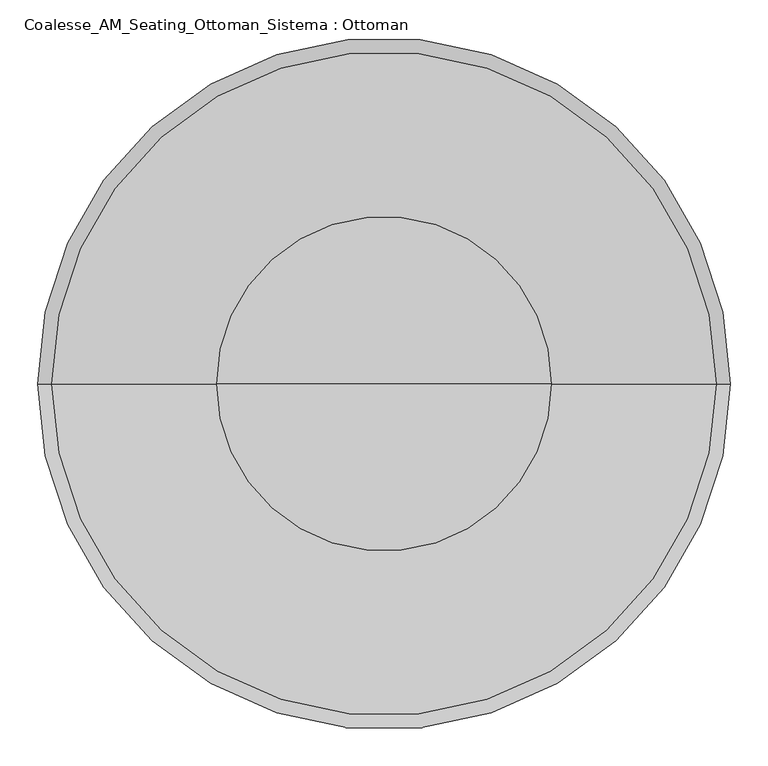
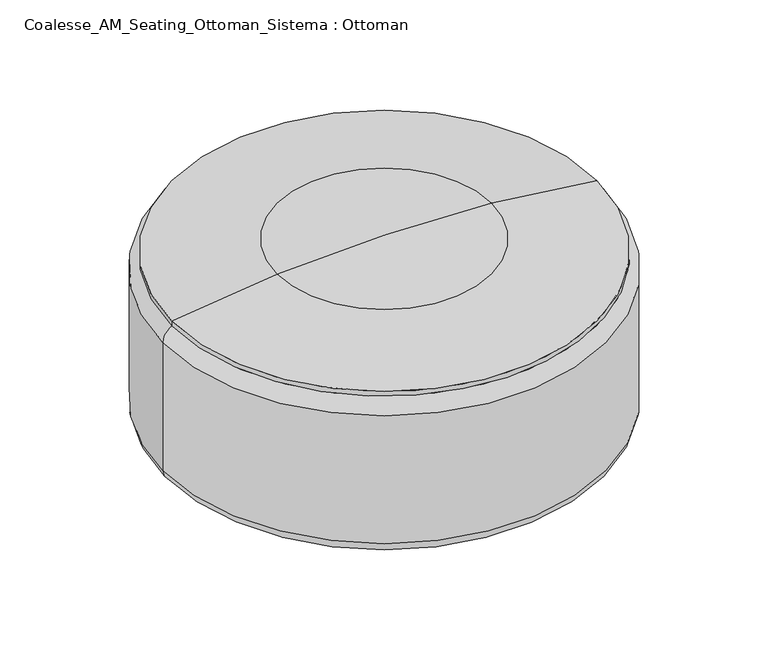
"""IFC4 building model written with IfcOpenShell, lengths in millimetres: furniture geometry, Coalesse_AM_Seating_Ottoman_Sistema : Ottoman."""

from ifc_helpers import new_model, si_unit, point, frame, origin, place, context, project, spatial, polyline, circle_curve, ellipse_curve, trimmed, source, transform, mapped, element, save
from ifc_brep_helpers import plane_surface, cylinder_surface, revolved_surface, advanced_brep


def coalesse_am_seating_ottoman_sistema_ottoman_4f4713fd(model_context):
    return source(origin(), model_context, "Body", "AdvancedBrep", [
        advanced_brep(
        [(176.9618477, -99.7441431, 32.0111214), (213.2354573, -99.7441431, 32.0111214), (213.2354573, -99.7441431, 16.5557542), (176.9618477, -99.7441431, 16.5557542), (214.5291378, -99.7441431, 14.0167632), (175.6681672, -99.7441431, 14.0167632), (218.901124, -99.7441431, 10.8824382), (171.296181, -99.7441431, 10.8824382), (220.0873404, -99.7441431, 8.4680454), (170.1099646, -99.7441431, 8.4680454), (220.0873404, -99.7441431, 3.1081764), (170.1099646, -99.7441431, 3.1081764), (216.4909658, -99.7441431, 0.0), (173.7063392, -99.7441431, 0.0), (195.0986525, -99.7441431, 0.0), (195.0986525, -99.7441431, 34.4679682), (202.2134315, -99.7441431, 34.4679682), (187.9838735, -99.7441431, 34.4679682), (202.2134315, -99.7441431, 32.0111214), (187.9838735, -99.7441431, 32.0111214)],
        [
            (0, 1, circle_curve(frame((195.0986525, -99.7441431, 32.0111214), z_axis=(0.0, 0.0, -1.0), x_axis=(1.0, 0.0, 0.0)), 18.1368048)),
            (1, 2),
            (2, 3, circle_curve(frame((195.0986525, -99.7441431, 16.5557542), z_axis=(0.0, 0.0, 1.0), x_axis=(1.0, 0.0, 0.0)), 18.1368048)),
            (3, 0),
            (1, 0, circle_curve(frame((195.0986525, -99.7441431, 32.0111214), z_axis=(0.0, 0.0, -1.0), x_axis=(1.0, 0.0, 0.0)), 18.1368048)),
            (3, 2, circle_curve(frame((195.0986525, -99.7441431, 16.5557542), z_axis=(0.0, 0.0, 1.0), x_axis=(1.0, 0.0, 0.0)), 18.1368048)),
            (2, 4),
            (4, 5, circle_curve(frame((195.0986525, -99.7441431, 14.0167632), z_axis=(0.0, 0.0, 1.0), x_axis=(1.0, 0.0, 0.0)), 19.4304853)),
            (5, 3),
            (5, 4, circle_curve(frame((195.0986525, -99.7441431, 14.0167632), z_axis=(0.0, 0.0, 1.0), x_axis=(1.0, 0.0, 0.0)), 19.4304853)),
            (4, 6, circle_curve(frame((172.5471675, -99.7441431, -49.1591113), z_axis=(0.0, 1.0, 0.0), x_axis=(-1.0, 0.0, 0.0)), 75.8529957)),
            (6, 7, circle_curve(frame((195.0986525, -99.7441431, 10.8824382), z_axis=(0.0, 0.0, 1.0), x_axis=(1.0, 0.0, 0.0)), 23.8024715)),
            (7, 5, circle_curve(frame((217.6501375, -99.7441431, -49.1591113), z_axis=(0.0, 1.0, 0.0), x_axis=(1.0, 0.0, 0.0)), 75.8529957)),
            (7, 6, circle_curve(frame((195.0986525, -99.7441431, 10.8824382), z_axis=(0.0, 0.0, 1.0), x_axis=(1.0, 0.0, 0.0)), 23.8024715)),
            (6, 8, circle_curve(frame((217.0371372, -99.7441431, 8.4680454), z_axis=(0.0, 1.0, 0.0), x_axis=(-1.0, 0.0, 0.0)), 3.0502032)),
            (8, 9, circle_curve(frame((195.0986525, -99.7441431, 8.4680454), z_axis=(0.0, 0.0, 1.0), x_axis=(1.0, 0.0, 0.0)), 24.9886879)),
            (9, 7, circle_curve(frame((173.1601678, -99.7441431, 8.4680454), z_axis=(0.0, 1.0, 0.0), x_axis=(1.0, 0.0, 0.0)), 3.0502032)),
            (9, 8, circle_curve(frame((195.0986525, -99.7441431, 8.4680454), z_axis=(0.0, 0.0, 1.0), x_axis=(1.0, 0.0, 0.0)), 24.9886879)),
            (8, 10),
            (10, 11, circle_curve(frame((195.0986525, -99.7441431, 3.1081764), z_axis=(0.0, 0.0, 1.0), x_axis=(1.0, 0.0, 0.0)), 24.9886879)),
            (11, 9),
            (11, 10, circle_curve(frame((195.0986525, -99.7441431, 3.1081764), z_axis=(0.0, 0.0, 1.0), x_axis=(1.0, 0.0, 0.0)), 24.9886879)),
            (10, 12, circle_curve(frame((216.4909658, -99.7441431, 3.634715), z_axis=(0.0, 1.0, 0.0), x_axis=(-1.0, 0.0, 0.0)), 3.634715)),
            (12, 13, circle_curve(frame((195.0986525, -99.7441431, 0.0), z_axis=(0.0, 0.0, 1.0), x_axis=(1.0, 0.0, 0.0)), 21.3923133)),
            (13, 11, circle_curve(frame((173.7063392, -99.7441431, 3.634715), z_axis=(0.0, 1.0, 0.0), x_axis=(1.0, 0.0, 0.0)), 3.634715)),
            (13, 12, circle_curve(frame((195.0986525, -99.7441431, 0.0), z_axis=(0.0, 0.0, 1.0), x_axis=(1.0, 0.0, 0.0)), 21.3923133)),
            (12, 14),
            (14, 13),
            (15, 16),
            (16, 17, circle_curve(frame((195.0986525, -99.7441431, 34.4679682), z_axis=(0.0, 0.0, 1.0), x_axis=(1.0, 0.0, 0.0)), 7.114779)),
            (17, 15),
            (17, 16, circle_curve(frame((195.0986525, -99.7441431, 34.4679682), z_axis=(0.0, 0.0, 1.0), x_axis=(1.0, 0.0, 0.0)), 7.114779)),
            (16, 18),
            (18, 19, circle_curve(frame((195.0986525, -99.7441431, 32.0111214), z_axis=(0.0, 0.0, 1.0), x_axis=(1.0, 0.0, 0.0)), 7.114779)),
            (19, 17),
            (19, 18, circle_curve(frame((195.0986525, -99.7441431, 32.0111214), z_axis=(0.0, 0.0, 1.0), x_axis=(1.0, 0.0, 0.0)), 7.114779)),
            (18, 1),
            (0, 19),
        ],
        [
            cylinder_surface(frame((195.0986525, -99.7441431, 22.0491407), z_axis=(0.0, 0.0, 1.0), x_axis=(1.0, 0.0, 0.0)), 18.1368048),
            revolved_surface(polyline([(214.5291378, -99.7441431, 14.0167632), (213.2354573, -99.7441431, 16.5557542)]), (195.0986525, -99.7441431, 22.0491407), (0.0, 0.0, 1.0)),
            revolved_surface(trimmed(ellipse_curve(frame((172.5471675, -99.7441431, -49.1591113), z_axis=(0.0, -1.0, 0.0), x_axis=(-1.0, 0.0, 0.0)), 75.8529957, 75.8529957), [point((218.901124, -99.7441431, 10.8824382))], [point((214.5291378, -99.7441431, 14.0167632))], True, "CARTESIAN"), (195.0986525, -99.7441431, 22.0491407), (0.0, 0.0, 1.0)),
            revolved_surface(trimmed(ellipse_curve(frame((217.0371372, -99.7441431, 8.4680454), z_axis=(0.0, -1.0, 0.0), x_axis=(-1.0, 0.0, 0.0)), 3.0502032, 3.0502032), [point((220.0873404, -99.7441431, 8.4680454))], [point((218.901124, -99.7441431, 10.8824382))], True, "CARTESIAN"), (195.0986525, -99.7441431, 22.0491407), (0.0, 0.0, 1.0)),
            cylinder_surface(frame((195.0986525, -99.7441431, 22.0491407), z_axis=(0.0, 0.0, 1.0), x_axis=(1.0, 0.0, 0.0)), 24.9886879),
            revolved_surface(trimmed(ellipse_curve(frame((216.4909658, -99.7441431, 3.634715), z_axis=(0.0, -1.0, 0.0), x_axis=(-1.0, 0.0, 0.0)), 3.634715, 3.634715), [point((216.4909658, -99.7441431, 0.0))], [point((220.0873404, -99.7441431, 3.1081764))], True, "CARTESIAN"), (195.0986525, -99.7441431, 22.0491407), (0.0, 0.0, 1.0)),
            plane_surface(frame((195.0986525, -99.7441431, 0.0), z_axis=(0.0, 0.0, -1.0), x_axis=(1.0, 0.0, 0.0))),
            plane_surface(frame((195.0986525, -99.7441431, 34.4679682), z_axis=(0.0, 0.0, 1.0), x_axis=(1.0, 0.0, 0.0))),
            cylinder_surface(frame((195.0986525, -99.7441431, 22.0491407), z_axis=(0.0, 0.0, 1.0), x_axis=(1.0, 0.0, 0.0)), 7.114779),
            plane_surface(frame((195.0986525, -99.7441431, 32.0111214), z_axis=(0.0, 0.0, 1.0), x_axis=(1.0, 0.0, 0.0))),
        ],
        [
            (0, [[1, 2, 3, 4]]),
            (0, [[5, -4, 6, -2]]),
            (1, [[-3, 7, 8, 9]]),
            (1, [[-6, -9, 10, -7]]),
            (2, [[-8, 11, 12, 13]]),
            (2, [[-10, -13, 14, -11]]),
            (3, [[-12, 15, 16, 17]]),
            (3, [[-14, -17, 18, -15]]),
            (4, [[-16, 19, 20, 21]]),
            (4, [[-18, -21, 22, -19]]),
            (5, [[-20, 23, 24, 25]]),
            (5, [[-22, -25, 26, -23]]),
            (6, [[-24, 27, 28]]),
            (6, [[-26, -28, -27]]),
            (7, [[29, 30, 31]]),
            (7, [[-31, 32, -29]]),
            (8, [[-30, 33, 34, 35]]),
            (8, [[-32, -35, 36, -33]]),
            (9, [[-34, 37, -1, 38]]),
            (9, [[-36, -38, -5, -37]]),
        ],
    ),
        advanced_brep(
        [(-182.6853932, -105.0098049, 16.5557542), (-218.9590027, -105.0098049, 16.5557542), (-218.9590027, -105.0098049, 32.0111214), (-182.6853932, -105.0098049, 32.0111214), (-181.3917126, -105.0098049, 14.0167632), (-220.2526833, -105.0098049, 14.0167632), (-177.0197264, -105.0098049, 10.8824382), (-224.6246695, -105.0098049, 10.8824382), (-175.8335101, -105.0098049, 8.4680454), (-225.8108859, -105.0098049, 8.4680454), (-175.8335101, -105.0098049, 3.1081764), (-225.8108859, -105.0098049, 3.1081764), (-179.4298846, -105.0098049, 0.0), (-222.2145113, -105.0098049, 0.0), (-200.822198, -105.0098049, 0.0), (-193.7074189, -105.0098049, 34.4679682), (-207.936977, -105.0098049, 34.4679682), (-200.822198, -105.0098049, 34.4679682), (-193.7074189, -105.0098049, 32.0111214), (-207.936977, -105.0098049, 32.0111214)],
        [
            (0, 1, circle_curve(frame((-200.822198, -105.0098049, 16.5557542), z_axis=(0.0, 0.0, 1.0), x_axis=(-1.0, 0.0, 0.0)), 18.1368048)),
            (1, 2),
            (2, 3, circle_curve(frame((-200.822198, -105.0098049, 32.0111214), z_axis=(0.0, 0.0, -1.0), x_axis=(-1.0, 0.0, 0.0)), 18.1368048)),
            (3, 0),
            (1, 0, circle_curve(frame((-200.822198, -105.0098049, 16.5557542), z_axis=(0.0, 0.0, 1.0), x_axis=(-1.0, 0.0, 0.0)), 18.1368048)),
            (3, 2, circle_curve(frame((-200.822198, -105.0098049, 32.0111214), z_axis=(0.0, 0.0, -1.0), x_axis=(-1.0, 0.0, 0.0)), 18.1368048)),
            (4, 5, circle_curve(frame((-200.822198, -105.0098049, 14.0167632), z_axis=(0.0, 0.0, 1.0), x_axis=(-1.0, 0.0, 0.0)), 19.4304853)),
            (5, 1),
            (0, 4),
            (5, 4, circle_curve(frame((-200.822198, -105.0098049, 14.0167632), z_axis=(0.0, 0.0, 1.0), x_axis=(-1.0, 0.0, 0.0)), 19.4304853)),
            (6, 7, circle_curve(frame((-200.822198, -105.0098049, 10.8824382), z_axis=(0.0, 0.0, 1.0), x_axis=(-1.0, 0.0, 0.0)), 23.8024715)),
            (7, 5, circle_curve(frame((-178.2707129, -105.0098049, -49.1591113), z_axis=(0.0, 1.0, 0.0), x_axis=(1.0, 0.0, 0.0)), 75.8529957)),
            (4, 6, circle_curve(frame((-223.373683, -105.0098049, -49.1591113), z_axis=(0.0, 1.0, 0.0), x_axis=(-1.0, 0.0, 0.0)), 75.8529957)),
            (7, 6, circle_curve(frame((-200.822198, -105.0098049, 10.8824382), z_axis=(0.0, 0.0, 1.0), x_axis=(-1.0, 0.0, 0.0)), 23.8024715)),
            (8, 9, circle_curve(frame((-200.822198, -105.0098049, 8.4680454), z_axis=(0.0, 0.0, 1.0), x_axis=(-1.0, 0.0, 0.0)), 24.9886879)),
            (9, 7, circle_curve(frame((-222.7606826, -105.0098049, 8.4680454), z_axis=(0.0, 1.0, 0.0), x_axis=(1.0, 0.0, 0.0)), 3.0502032)),
            (6, 8, circle_curve(frame((-178.8837133, -105.0098049, 8.4680454), z_axis=(0.0, 1.0, 0.0), x_axis=(-1.0, 0.0, 0.0)), 3.0502032)),
            (9, 8, circle_curve(frame((-200.822198, -105.0098049, 8.4680454), z_axis=(0.0, 0.0, 1.0), x_axis=(-1.0, 0.0, 0.0)), 24.9886879)),
            (10, 11, circle_curve(frame((-200.822198, -105.0098049, 3.1081764), z_axis=(0.0, 0.0, 1.0), x_axis=(-1.0, 0.0, 0.0)), 24.9886879)),
            (11, 9),
            (8, 10),
            (11, 10, circle_curve(frame((-200.822198, -105.0098049, 3.1081764), z_axis=(0.0, 0.0, 1.0), x_axis=(-1.0, 0.0, 0.0)), 24.9886879)),
            (12, 13, circle_curve(frame((-200.822198, -105.0098049, 0.0), z_axis=(0.0, 0.0, 1.0), x_axis=(-1.0, 0.0, 0.0)), 21.3923133)),
            (13, 11, circle_curve(frame((-222.2145113, -105.0098049, 3.634715), z_axis=(0.0, 1.0, 0.0), x_axis=(1.0, 0.0, 0.0)), 3.634715)),
            (10, 12, circle_curve(frame((-179.4298846, -105.0098049, 3.634715), z_axis=(0.0, 1.0, 0.0), x_axis=(-1.0, 0.0, 0.0)), 3.634715)),
            (13, 12, circle_curve(frame((-200.822198, -105.0098049, 0.0), z_axis=(0.0, 0.0, 1.0), x_axis=(-1.0, 0.0, 0.0)), 21.3923133)),
            (14, 13),
            (12, 14),
            (15, 16, circle_curve(frame((-200.822198, -105.0098049, 34.4679682), z_axis=(0.0, 0.0, 1.0), x_axis=(-1.0, 0.0, 0.0)), 7.114779)),
            (16, 17),
            (17, 15),
            (16, 15, circle_curve(frame((-200.822198, -105.0098049, 34.4679682), z_axis=(0.0, 0.0, 1.0), x_axis=(-1.0, 0.0, 0.0)), 7.114779)),
            (18, 19, circle_curve(frame((-200.822198, -105.0098049, 32.0111214), z_axis=(0.0, 0.0, 1.0), x_axis=(-1.0, 0.0, 0.0)), 7.114779)),
            (19, 16),
            (15, 18),
            (19, 18, circle_curve(frame((-200.822198, -105.0098049, 32.0111214), z_axis=(0.0, 0.0, 1.0), x_axis=(-1.0, 0.0, 0.0)), 7.114779)),
            (2, 19),
            (18, 3),
        ],
        [
            cylinder_surface(frame((-200.822198, -105.0098049, 22.0491407), z_axis=(0.0, 0.0, -1.0), x_axis=(-1.0, 0.0, 0.0)), 18.1368048),
            revolved_surface(polyline([(-218.9590027, -105.0098049, 16.5557542), (-220.2526833, -105.0098049, 14.0167632)]), (-200.822198, -105.0098049, 22.0491407), (0.0, 0.0, -1.0)),
            revolved_surface(trimmed(ellipse_curve(frame((-178.2707129, -105.0098049, -49.1591113), z_axis=(0.0, -1.0, 0.0), x_axis=(1.0, 0.0, 0.0)), 75.8529957, 75.8529957), [point((-220.2526833, -105.0098049, 14.0167632))], [point((-224.6246695, -105.0098049, 10.8824382))], True, "CARTESIAN"), (-200.822198, -105.0098049, 22.0491407), (0.0, 0.0, -1.0)),
            revolved_surface(trimmed(ellipse_curve(frame((-222.7606826, -105.0098049, 8.4680454), z_axis=(0.0, -1.0, 0.0), x_axis=(1.0, 0.0, 0.0)), 3.0502032, 3.0502032), [point((-224.6246695, -105.0098049, 10.8824382))], [point((-225.8108859, -105.0098049, 8.4680454))], True, "CARTESIAN"), (-200.822198, -105.0098049, 22.0491407), (0.0, 0.0, -1.0)),
            cylinder_surface(frame((-200.822198, -105.0098049, 22.0491407), z_axis=(0.0, 0.0, -1.0), x_axis=(-1.0, 0.0, 0.0)), 24.9886879),
            revolved_surface(trimmed(ellipse_curve(frame((-222.2145113, -105.0098049, 3.634715), z_axis=(0.0, -1.0, 0.0), x_axis=(1.0, 0.0, 0.0)), 3.634715, 3.634715), [point((-225.8108859, -105.0098049, 3.1081764))], [point((-222.2145113, -105.0098049, 0.0))], True, "CARTESIAN"), (-200.822198, -105.0098049, 22.0491407), (0.0, 0.0, -1.0)),
            plane_surface(frame((-200.822198, -105.0098049, 0.0), z_axis=(0.0, 0.0, -1.0), x_axis=(-1.0, 0.0, 0.0))),
            plane_surface(frame((-200.822198, -105.0098049, 34.4679682), z_axis=(0.0, 0.0, 1.0), x_axis=(-1.0, 0.0, 0.0))),
            cylinder_surface(frame((-200.822198, -105.0098049, 22.0491407), z_axis=(0.0, 0.0, -1.0), x_axis=(-1.0, 0.0, 0.0)), 7.114779),
            plane_surface(frame((-200.822198, -105.0098049, 32.0111214), z_axis=(0.0, 0.0, 1.0), x_axis=(-1.0, 0.0, 0.0))),
        ],
        [
            (0, [[1, 2, 3, 4]]),
            (0, [[5, -4, 6, -2]]),
            (1, [[7, 8, -1, 9]]),
            (1, [[10, -9, -5, -8]]),
            (2, [[11, 12, -7, 13]]),
            (2, [[14, -13, -10, -12]]),
            (3, [[15, 16, -11, 17]]),
            (3, [[18, -17, -14, -16]]),
            (4, [[19, 20, -15, 21]]),
            (4, [[22, -21, -18, -20]]),
            (5, [[23, 24, -19, 25]]),
            (5, [[26, -25, -22, -24]]),
            (6, [[27, -23, 28]]),
            (6, [[-28, -26, -27]]),
            (7, [[29, 30, 31]]),
            (7, [[32, -31, -30]]),
            (8, [[33, 34, -29, 35]]),
            (8, [[36, -35, -32, -34]]),
            (9, [[-3, 37, -33, 38]]),
            (9, [[-6, -38, -36, -37]]),
        ],
    ),
        advanced_brep(
        [(-14.5737579, -712.3154479, 32.0111214), (21.6998517, -712.3154479, 32.0111214), (21.6998517, -712.3154479, 16.5557542), (-14.5737579, -712.3154479, 16.5557542), (22.9935322, -712.3154479, 14.0167632), (-15.8674384, -712.3154479, 14.0167632), (27.3655184, -712.3154479, 10.8824382), (-20.2394247, -712.3154479, 10.8824382), (28.5517348, -712.3154479, 8.4680454), (-21.425641, -712.3154479, 8.4680454), (28.5517348, -712.3154479, 3.1081764), (-21.425641, -712.3154479, 3.1081764), (24.9553602, -712.3154479, 0.0), (-17.8292664, -712.3154479, 0.0), (3.5630469, -712.3154479, 0.0), (3.5630469, -712.3154479, 34.4679682), (10.6778259, -712.3154479, 34.4679682), (-3.5517321, -712.3154479, 34.4679682), (10.6778259, -712.3154479, 32.0111214), (-3.5517321, -712.3154479, 32.0111214)],
        [
            (0, 1, circle_curve(frame((3.5630469, -712.3154479, 32.0111214), z_axis=(0.0, 0.0, -1.0), x_axis=(1.0, 0.0, 0.0)), 18.1368048)),
            (1, 2),
            (2, 3, circle_curve(frame((3.5630469, -712.3154479, 16.5557542), z_axis=(0.0, 0.0, 1.0), x_axis=(1.0, 0.0, 0.0)), 18.1368048)),
            (3, 0),
            (1, 0, circle_curve(frame((3.5630469, -712.3154479, 32.0111214), z_axis=(0.0, 0.0, -1.0), x_axis=(1.0, 0.0, 0.0)), 18.1368048)),
            (3, 2, circle_curve(frame((3.5630469, -712.3154479, 16.5557542), z_axis=(0.0, 0.0, 1.0), x_axis=(1.0, 0.0, 0.0)), 18.1368048)),
            (2, 4),
            (4, 5, circle_curve(frame((3.5630469, -712.3154479, 14.0167632), z_axis=(0.0, 0.0, 1.0), x_axis=(1.0, 0.0, 0.0)), 19.4304853)),
            (5, 3),
            (5, 4, circle_curve(frame((3.5630469, -712.3154479, 14.0167632), z_axis=(0.0, 0.0, 1.0), x_axis=(1.0, 0.0, 0.0)), 19.4304853)),
            (4, 6, circle_curve(frame((-18.9884381, -712.3154479, -49.1591113), z_axis=(0.0, 1.0, 0.0), x_axis=(-1.0, 0.0, 0.0)), 75.8529957)),
            (6, 7, circle_curve(frame((3.5630469, -712.3154479, 10.8824382), z_axis=(0.0, 0.0, 1.0), x_axis=(1.0, 0.0, 0.0)), 23.8024715)),
            (7, 5, circle_curve(frame((26.1145319, -712.3154479, -49.1591113), z_axis=(0.0, 1.0, 0.0), x_axis=(1.0, 0.0, 0.0)), 75.8529957)),
            (7, 6, circle_curve(frame((3.5630469, -712.3154479, 10.8824382), z_axis=(0.0, 0.0, 1.0), x_axis=(1.0, 0.0, 0.0)), 23.8024715)),
            (6, 8, circle_curve(frame((25.5015316, -712.3154479, 8.4680454), z_axis=(0.0, 1.0, 0.0), x_axis=(-1.0, 0.0, 0.0)), 3.0502032)),
            (8, 9, circle_curve(frame((3.5630469, -712.3154479, 8.4680454), z_axis=(0.0, 0.0, 1.0), x_axis=(1.0, 0.0, 0.0)), 24.9886879)),
            (9, 7, circle_curve(frame((-18.3754378, -712.3154479, 8.4680454), z_axis=(0.0, 1.0, 0.0), x_axis=(1.0, 0.0, 0.0)), 3.0502032)),
            (9, 8, circle_curve(frame((3.5630469, -712.3154479, 8.4680454), z_axis=(0.0, 0.0, 1.0), x_axis=(1.0, 0.0, 0.0)), 24.9886879)),
            (8, 10),
            (10, 11, circle_curve(frame((3.5630469, -712.3154479, 3.1081764), z_axis=(0.0, 0.0, 1.0), x_axis=(1.0, 0.0, 0.0)), 24.9886879)),
            (11, 9),
            (11, 10, circle_curve(frame((3.5630469, -712.3154479, 3.1081764), z_axis=(0.0, 0.0, 1.0), x_axis=(1.0, 0.0, 0.0)), 24.9886879)),
            (10, 12, circle_curve(frame((24.9553602, -712.3154479, 3.634715), z_axis=(0.0, 1.0, 0.0), x_axis=(-1.0, 0.0, 0.0)), 3.634715)),
            (12, 13, circle_curve(frame((3.5630469, -712.3154479, 0.0), z_axis=(0.0, 0.0, 1.0), x_axis=(1.0, 0.0, 0.0)), 21.3923133)),
            (13, 11, circle_curve(frame((-17.8292664, -712.3154479, 3.634715), z_axis=(0.0, 1.0, 0.0), x_axis=(1.0, 0.0, 0.0)), 3.634715)),
            (13, 12, circle_curve(frame((3.5630469, -712.3154479, 0.0), z_axis=(0.0, 0.0, 1.0), x_axis=(1.0, 0.0, 0.0)), 21.3923133)),
            (12, 14),
            (14, 13),
            (15, 16),
            (16, 17, circle_curve(frame((3.5630469, -712.3154479, 34.4679682), z_axis=(0.0, 0.0, 1.0), x_axis=(1.0, 0.0, 0.0)), 7.114779)),
            (17, 15),
            (17, 16, circle_curve(frame((3.5630469, -712.3154479, 34.4679682), z_axis=(0.0, 0.0, 1.0), x_axis=(1.0, 0.0, 0.0)), 7.114779)),
            (16, 18),
            (18, 19, circle_curve(frame((3.5630469, -712.3154479, 32.0111214), z_axis=(0.0, 0.0, 1.0), x_axis=(1.0, 0.0, 0.0)), 7.114779)),
            (19, 17),
            (19, 18, circle_curve(frame((3.5630469, -712.3154479, 32.0111214), z_axis=(0.0, 0.0, 1.0), x_axis=(1.0, 0.0, 0.0)), 7.114779)),
            (18, 1),
            (0, 19),
        ],
        [
            cylinder_surface(frame((3.5630469, -712.3154479, 22.0491407), z_axis=(0.0, 0.0, 1.0), x_axis=(1.0, 0.0, 0.0)), 18.1368048),
            revolved_surface(polyline([(22.9935322, -712.3154479, 14.0167632), (21.6998517, -712.3154479, 16.5557542)]), (3.5630469, -712.3154479, 22.0491407), (0.0, 0.0, 1.0)),
            revolved_surface(trimmed(ellipse_curve(frame((-18.9884381, -712.3154479, -49.1591113), z_axis=(0.0, -1.0, 0.0), x_axis=(-1.0, 0.0, 0.0)), 75.8529957, 75.8529957), [point((27.3655184, -712.3154479, 10.8824382))], [point((22.9935322, -712.3154479, 14.0167632))], True, "CARTESIAN"), (3.5630469, -712.3154479, 22.0491407), (0.0, 0.0, 1.0)),
            revolved_surface(trimmed(ellipse_curve(frame((25.5015316, -712.3154479, 8.4680454), z_axis=(0.0, -1.0, 0.0), x_axis=(-1.0, 0.0, 0.0)), 3.0502032, 3.0502032), [point((28.5517348, -712.3154479, 8.4680454))], [point((27.3655184, -712.3154479, 10.8824382))], True, "CARTESIAN"), (3.5630469, -712.3154479, 22.0491407), (0.0, 0.0, 1.0)),
            cylinder_surface(frame((3.5630469, -712.3154479, 22.0491407), z_axis=(0.0, 0.0, 1.0), x_axis=(1.0, 0.0, 0.0)), 24.9886879),
            revolved_surface(trimmed(ellipse_curve(frame((24.9553602, -712.3154479, 3.634715), z_axis=(0.0, -1.0, 0.0), x_axis=(-1.0, 0.0, 0.0)), 3.634715, 3.634715), [point((24.9553602, -712.3154479, 0.0))], [point((28.5517348, -712.3154479, 3.1081764))], True, "CARTESIAN"), (3.5630469, -712.3154479, 22.0491407), (0.0, 0.0, 1.0)),
            plane_surface(frame((3.5630469, -712.3154479, 0.0), z_axis=(0.0, 0.0, -1.0), x_axis=(1.0, 0.0, 0.0))),
            plane_surface(frame((3.5630469, -712.3154479, 34.4679682), z_axis=(0.0, 0.0, 1.0), x_axis=(1.0, 0.0, 0.0))),
            cylinder_surface(frame((3.5630469, -712.3154479, 22.0491407), z_axis=(0.0, 0.0, 1.0), x_axis=(1.0, 0.0, 0.0)), 7.114779),
            plane_surface(frame((3.5630469, -712.3154479, 32.0111214), z_axis=(0.0, 0.0, 1.0), x_axis=(1.0, 0.0, 0.0))),
        ],
        [
            (0, [[1, 2, 3, 4]]),
            (0, [[5, -4, 6, -2]]),
            (1, [[-3, 7, 8, 9]]),
            (1, [[-6, -9, 10, -7]]),
            (2, [[-8, 11, 12, 13]]),
            (2, [[-10, -13, 14, -11]]),
            (3, [[-12, 15, 16, 17]]),
            (3, [[-14, -17, 18, -15]]),
            (4, [[-16, 19, 20, 21]]),
            (4, [[-18, -21, 22, -19]]),
            (5, [[-20, 23, 24, 25]]),
            (5, [[-22, -25, 26, -23]]),
            (6, [[-24, 27, 28]]),
            (6, [[-26, -28, -27]]),
            (7, [[29, 30, 31]]),
            (7, [[-31, 32, -29]]),
            (8, [[-30, 33, 34, 35]]),
            (8, [[-32, -35, 36, -33]]),
            (9, [[-34, 37, -1, 38]]),
            (9, [[-36, -38, -5, -37]]),
        ],
    ),
        advanced_brep(
        [(301.4040626, -474.8654826, 32.0111214), (337.6776721, -474.8654826, 32.0111214), (337.6776721, -474.8654826, 16.5557542), (301.4040626, -474.8654826, 16.5557542), (338.9713527, -474.8654826, 14.0167632), (300.1103821, -474.8654826, 14.0167632), (343.3433389, -474.8654826, 10.8824382), (295.7383958, -474.8654826, 10.8824382), (344.5295553, -474.8654826, 8.4680454), (294.5521795, -474.8654826, 8.4680454), (344.5295553, -474.8654826, 3.1081764), (294.5521795, -474.8654826, 3.1081764), (340.9331807, -474.8654826, 0.0), (298.148554, -474.8654826, 0.0), (319.5408674, -474.8654826, 0.0), (319.5408674, -474.8654826, 34.4679682), (326.6556464, -474.8654826, 34.4679682), (312.4260884, -474.8654826, 34.4679682), (326.6556464, -474.8654826, 32.0111214), (312.4260884, -474.8654826, 32.0111214)],
        [
            (0, 1, circle_curve(frame((319.5408674, -474.8654826, 32.0111214), z_axis=(0.0, 0.0, -1.0), x_axis=(1.0, 0.0, 0.0)), 18.1368048)),
            (1, 2),
            (2, 3, circle_curve(frame((319.5408674, -474.8654826, 16.5557542), z_axis=(0.0, 0.0, 1.0), x_axis=(1.0, 0.0, 0.0)), 18.1368048)),
            (3, 0),
            (1, 0, circle_curve(frame((319.5408674, -474.8654826, 32.0111214), z_axis=(0.0, 0.0, -1.0), x_axis=(1.0, 0.0, 0.0)), 18.1368048)),
            (3, 2, circle_curve(frame((319.5408674, -474.8654826, 16.5557542), z_axis=(0.0, 0.0, 1.0), x_axis=(1.0, 0.0, 0.0)), 18.1368048)),
            (2, 4),
            (4, 5, circle_curve(frame((319.5408674, -474.8654826, 14.0167632), z_axis=(0.0, 0.0, 1.0), x_axis=(1.0, 0.0, 0.0)), 19.4304853)),
            (5, 3),
            (5, 4, circle_curve(frame((319.5408674, -474.8654826, 14.0167632), z_axis=(0.0, 0.0, 1.0), x_axis=(1.0, 0.0, 0.0)), 19.4304853)),
            (4, 6, circle_curve(frame((296.9893823, -474.8654826, -49.1591113), z_axis=(0.0, 1.0, 0.0), x_axis=(-1.0, 0.0, 0.0)), 75.8529957)),
            (6, 7, circle_curve(frame((319.5408674, -474.8654826, 10.8824382), z_axis=(0.0, 0.0, 1.0), x_axis=(1.0, 0.0, 0.0)), 23.8024715)),
            (7, 5, circle_curve(frame((342.0923524, -474.8654826, -49.1591113), z_axis=(0.0, 1.0, 0.0), x_axis=(1.0, 0.0, 0.0)), 75.8529957)),
            (7, 6, circle_curve(frame((319.5408674, -474.8654826, 10.8824382), z_axis=(0.0, 0.0, 1.0), x_axis=(1.0, 0.0, 0.0)), 23.8024715)),
            (6, 8, circle_curve(frame((341.479352, -474.8654826, 8.4680454), z_axis=(0.0, 1.0, 0.0), x_axis=(-1.0, 0.0, 0.0)), 3.0502032)),
            (8, 9, circle_curve(frame((319.5408674, -474.8654826, 8.4680454), z_axis=(0.0, 0.0, 1.0), x_axis=(1.0, 0.0, 0.0)), 24.9886879)),
            (9, 7, circle_curve(frame((297.6023827, -474.8654826, 8.4680454), z_axis=(0.0, 1.0, 0.0), x_axis=(1.0, 0.0, 0.0)), 3.0502032)),
            (9, 8, circle_curve(frame((319.5408674, -474.8654826, 8.4680454), z_axis=(0.0, 0.0, 1.0), x_axis=(1.0, 0.0, 0.0)), 24.9886879)),
            (8, 10),
            (10, 11, circle_curve(frame((319.5408674, -474.8654826, 3.1081764), z_axis=(0.0, 0.0, 1.0), x_axis=(1.0, 0.0, 0.0)), 24.9886879)),
            (11, 9),
            (11, 10, circle_curve(frame((319.5408674, -474.8654826, 3.1081764), z_axis=(0.0, 0.0, 1.0), x_axis=(1.0, 0.0, 0.0)), 24.9886879)),
            (10, 12, circle_curve(frame((340.9331807, -474.8654826, 3.634715), z_axis=(0.0, 1.0, 0.0), x_axis=(-1.0, 0.0, 0.0)), 3.634715)),
            (12, 13, circle_curve(frame((319.5408674, -474.8654826, 0.0), z_axis=(0.0, 0.0, 1.0), x_axis=(1.0, 0.0, 0.0)), 21.3923133)),
            (13, 11, circle_curve(frame((298.148554, -474.8654826, 3.634715), z_axis=(0.0, 1.0, 0.0), x_axis=(1.0, 0.0, 0.0)), 3.634715)),
            (13, 12, circle_curve(frame((319.5408674, -474.8654826, 0.0), z_axis=(0.0, 0.0, 1.0), x_axis=(1.0, 0.0, 0.0)), 21.3923133)),
            (12, 14),
            (14, 13),
            (15, 16),
            (16, 17, circle_curve(frame((319.5408674, -474.8654826, 34.4679682), z_axis=(0.0, 0.0, 1.0), x_axis=(1.0, 0.0, 0.0)), 7.114779)),
            (17, 15),
            (17, 16, circle_curve(frame((319.5408674, -474.8654826, 34.4679682), z_axis=(0.0, 0.0, 1.0), x_axis=(1.0, 0.0, 0.0)), 7.114779)),
            (16, 18),
            (18, 19, circle_curve(frame((319.5408674, -474.8654826, 32.0111214), z_axis=(0.0, 0.0, 1.0), x_axis=(1.0, 0.0, 0.0)), 7.114779)),
            (19, 17),
            (19, 18, circle_curve(frame((319.5408674, -474.8654826, 32.0111214), z_axis=(0.0, 0.0, 1.0), x_axis=(1.0, 0.0, 0.0)), 7.114779)),
            (18, 1),
            (0, 19),
        ],
        [
            cylinder_surface(frame((319.5408674, -474.8654826, 22.0491407), z_axis=(0.0, 0.0, 1.0), x_axis=(1.0, 0.0, 0.0)), 18.1368048),
            revolved_surface(polyline([(338.9713527, -474.8654826, 14.0167632), (337.6776721, -474.8654826, 16.5557542)]), (319.5408674, -474.8654826, 22.0491407), (0.0, 0.0, 1.0)),
            revolved_surface(trimmed(ellipse_curve(frame((296.9893823, -474.8654826, -49.1591113), z_axis=(0.0, -1.0, 0.0), x_axis=(-1.0, 0.0, 0.0)), 75.8529957, 75.8529957), [point((343.3433389, -474.8654826, 10.8824382))], [point((338.9713527, -474.8654826, 14.0167632))], True, "CARTESIAN"), (319.5408674, -474.8654826, 22.0491407), (0.0, 0.0, 1.0)),
            revolved_surface(trimmed(ellipse_curve(frame((341.479352, -474.8654826, 8.4680454), z_axis=(0.0, -1.0, 0.0), x_axis=(-1.0, 0.0, 0.0)), 3.0502032, 3.0502032), [point((344.5295553, -474.8654826, 8.4680454))], [point((343.3433389, -474.8654826, 10.8824382))], True, "CARTESIAN"), (319.5408674, -474.8654826, 22.0491407), (0.0, 0.0, 1.0)),
            cylinder_surface(frame((319.5408674, -474.8654826, 22.0491407), z_axis=(0.0, 0.0, 1.0), x_axis=(1.0, 0.0, 0.0)), 24.9886879),
            revolved_surface(trimmed(ellipse_curve(frame((340.9331807, -474.8654826, 3.634715), z_axis=(0.0, -1.0, 0.0), x_axis=(-1.0, 0.0, 0.0)), 3.634715, 3.634715), [point((340.9331807, -474.8654826, 0.0))], [point((344.5295553, -474.8654826, 3.1081764))], True, "CARTESIAN"), (319.5408674, -474.8654826, 22.0491407), (0.0, 0.0, 1.0)),
            plane_surface(frame((319.5408674, -474.8654826, 0.0), z_axis=(0.0, 0.0, -1.0), x_axis=(1.0, 0.0, 0.0))),
            plane_surface(frame((319.5408674, -474.8654826, 34.4679682), z_axis=(0.0, 0.0, 1.0), x_axis=(1.0, 0.0, 0.0))),
            cylinder_surface(frame((319.5408674, -474.8654826, 22.0491407), z_axis=(0.0, 0.0, 1.0), x_axis=(1.0, 0.0, 0.0)), 7.114779),
            plane_surface(frame((319.5408674, -474.8654826, 32.0111214), z_axis=(0.0, 0.0, 1.0), x_axis=(1.0, 0.0, 0.0))),
        ],
        [
            (0, [[1, 2, 3, 4]]),
            (0, [[5, -4, 6, -2]]),
            (1, [[-3, 7, 8, 9]]),
            (1, [[-6, -9, 10, -7]]),
            (2, [[-8, 11, 12, 13]]),
            (2, [[-10, -13, 14, -11]]),
            (3, [[-12, 15, 16, 17]]),
            (3, [[-14, -17, 18, -15]]),
            (4, [[-16, 19, 20, 21]]),
            (4, [[-18, -21, 22, -19]]),
            (5, [[-20, 23, 24, 25]]),
            (5, [[-22, -25, 26, -23]]),
            (6, [[-24, 27, 28]]),
            (6, [[-26, -28, -27]]),
            (7, [[29, 30, 31]]),
            (7, [[-31, 32, -29]]),
            (8, [[-30, 33, 34, 35]]),
            (8, [[-32, -35, 36, -33]]),
            (9, [[-34, 37, -1, 38]]),
            (9, [[-36, -38, -5, -37]]),
        ],
    ),
        advanced_brep(
        [(-301.4040626, -481.2154826, 16.5557542), (-337.6776721, -481.2154826, 16.5557542), (-337.6776721, -481.2154826, 32.0111214), (-301.4040626, -481.2154826, 32.0111214), (-300.1103821, -481.2154826, 14.0167632), (-338.9713527, -481.2154826, 14.0167632), (-295.7383958, -481.2154826, 10.8824382), (-343.3433389, -481.2154826, 10.8824382), (-294.5521795, -481.2154826, 8.4680454), (-344.5295553, -481.2154826, 8.4680454), (-294.5521795, -481.2154826, 3.1081764), (-344.5295553, -481.2154826, 3.1081764), (-298.148554, -481.2154826, 0.0), (-340.9331807, -481.2154826, 0.0), (-319.5408674, -481.2154826, 0.0), (-312.4260884, -481.2154826, 34.4679682), (-326.6556464, -481.2154826, 34.4679682), (-319.5408674, -481.2154826, 34.4679682), (-312.4260884, -481.2154826, 32.0111214), (-326.6556464, -481.2154826, 32.0111214)],
        [
            (0, 1, circle_curve(frame((-319.5408674, -481.2154826, 16.5557542), z_axis=(0.0, 0.0, 1.0), x_axis=(-1.0, 0.0, 0.0)), 18.1368048)),
            (1, 2),
            (2, 3, circle_curve(frame((-319.5408674, -481.2154826, 32.0111214), z_axis=(0.0, 0.0, -1.0), x_axis=(-1.0, 0.0, 0.0)), 18.1368048)),
            (3, 0),
            (1, 0, circle_curve(frame((-319.5408674, -481.2154826, 16.5557542), z_axis=(0.0, 0.0, 1.0), x_axis=(-1.0, 0.0, 0.0)), 18.1368048)),
            (3, 2, circle_curve(frame((-319.5408674, -481.2154826, 32.0111214), z_axis=(0.0, 0.0, -1.0), x_axis=(-1.0, 0.0, 0.0)), 18.1368048)),
            (4, 5, circle_curve(frame((-319.5408674, -481.2154826, 14.0167632), z_axis=(0.0, 0.0, 1.0), x_axis=(-1.0, 0.0, 0.0)), 19.4304853)),
            (5, 1),
            (0, 4),
            (5, 4, circle_curve(frame((-319.5408674, -481.2154826, 14.0167632), z_axis=(0.0, 0.0, 1.0), x_axis=(-1.0, 0.0, 0.0)), 19.4304853)),
            (6, 7, circle_curve(frame((-319.5408674, -481.2154826, 10.8824382), z_axis=(0.0, 0.0, 1.0), x_axis=(-1.0, 0.0, 0.0)), 23.8024715)),
            (7, 5, circle_curve(frame((-296.9893823, -481.2154826, -49.1591113), z_axis=(0.0, 1.0, 0.0), x_axis=(1.0, 0.0, 0.0)), 75.8529957)),
            (4, 6, circle_curve(frame((-342.0923524, -481.2154826, -49.1591113), z_axis=(0.0, 1.0, 0.0), x_axis=(-1.0, 0.0, 0.0)), 75.8529957)),
            (7, 6, circle_curve(frame((-319.5408674, -481.2154826, 10.8824382), z_axis=(0.0, 0.0, 1.0), x_axis=(-1.0, 0.0, 0.0)), 23.8024715)),
            (8, 9, circle_curve(frame((-319.5408674, -481.2154826, 8.4680454), z_axis=(0.0, 0.0, 1.0), x_axis=(-1.0, 0.0, 0.0)), 24.9886879)),
            (9, 7, circle_curve(frame((-341.479352, -481.2154826, 8.4680454), z_axis=(0.0, 1.0, 0.0), x_axis=(1.0, 0.0, 0.0)), 3.0502032)),
            (6, 8, circle_curve(frame((-297.6023827, -481.2154826, 8.4680454), z_axis=(0.0, 1.0, 0.0), x_axis=(-1.0, 0.0, 0.0)), 3.0502032)),
            (9, 8, circle_curve(frame((-319.5408674, -481.2154826, 8.4680454), z_axis=(0.0, 0.0, 1.0), x_axis=(-1.0, 0.0, 0.0)), 24.9886879)),
            (10, 11, circle_curve(frame((-319.5408674, -481.2154826, 3.1081764), z_axis=(0.0, 0.0, 1.0), x_axis=(-1.0, 0.0, 0.0)), 24.9886879)),
            (11, 9),
            (8, 10),
            (11, 10, circle_curve(frame((-319.5408674, -481.2154826, 3.1081764), z_axis=(0.0, 0.0, 1.0), x_axis=(-1.0, 0.0, 0.0)), 24.9886879)),
            (12, 13, circle_curve(frame((-319.5408674, -481.2154826, 0.0), z_axis=(0.0, 0.0, 1.0), x_axis=(-1.0, 0.0, 0.0)), 21.3923133)),
            (13, 11, circle_curve(frame((-340.9331807, -481.2154826, 3.634715), z_axis=(0.0, 1.0, 0.0), x_axis=(1.0, 0.0, 0.0)), 3.634715)),
            (10, 12, circle_curve(frame((-298.148554, -481.2154826, 3.634715), z_axis=(0.0, 1.0, 0.0), x_axis=(-1.0, 0.0, 0.0)), 3.634715)),
            (13, 12, circle_curve(frame((-319.5408674, -481.2154826, 0.0), z_axis=(0.0, 0.0, 1.0), x_axis=(-1.0, 0.0, 0.0)), 21.3923133)),
            (14, 13),
            (12, 14),
            (15, 16, circle_curve(frame((-319.5408674, -481.2154826, 34.4679682), z_axis=(0.0, 0.0, 1.0), x_axis=(-1.0, 0.0, 0.0)), 7.114779)),
            (16, 17),
            (17, 15),
            (16, 15, circle_curve(frame((-319.5408674, -481.2154826, 34.4679682), z_axis=(0.0, 0.0, 1.0), x_axis=(-1.0, 0.0, 0.0)), 7.114779)),
            (18, 19, circle_curve(frame((-319.5408674, -481.2154826, 32.0111214), z_axis=(0.0, 0.0, 1.0), x_axis=(-1.0, 0.0, 0.0)), 7.114779)),
            (19, 16),
            (15, 18),
            (19, 18, circle_curve(frame((-319.5408674, -481.2154826, 32.0111214), z_axis=(0.0, 0.0, 1.0), x_axis=(-1.0, 0.0, 0.0)), 7.114779)),
            (2, 19),
            (18, 3),
        ],
        [
            cylinder_surface(frame((-319.5408674, -481.2154826, 22.0491407), z_axis=(0.0, 0.0, -1.0), x_axis=(-1.0, 0.0, 0.0)), 18.1368048),
            revolved_surface(polyline([(-337.6776721, -481.2154826, 16.5557542), (-338.9713527, -481.2154826, 14.0167632)]), (-319.5408674, -481.2154826, 22.0491407), (0.0, 0.0, -1.0)),
            revolved_surface(trimmed(ellipse_curve(frame((-296.9893823, -481.2154826, -49.1591113), z_axis=(0.0, -1.0, 0.0), x_axis=(1.0, 0.0, 0.0)), 75.8529957, 75.8529957), [point((-338.9713527, -481.2154826, 14.0167632))], [point((-343.3433389, -481.2154826, 10.8824382))], True, "CARTESIAN"), (-319.5408674, -481.2154826, 22.0491407), (0.0, 0.0, -1.0)),
            revolved_surface(trimmed(ellipse_curve(frame((-341.479352, -481.2154826, 8.4680454), z_axis=(0.0, -1.0, 0.0), x_axis=(1.0, 0.0, 0.0)), 3.0502032, 3.0502032), [point((-343.3433389, -481.2154826, 10.8824382))], [point((-344.5295553, -481.2154826, 8.4680454))], True, "CARTESIAN"), (-319.5408674, -481.2154826, 22.0491407), (0.0, 0.0, -1.0)),
            cylinder_surface(frame((-319.5408674, -481.2154826, 22.0491407), z_axis=(0.0, 0.0, -1.0), x_axis=(-1.0, 0.0, 0.0)), 24.9886879),
            revolved_surface(trimmed(ellipse_curve(frame((-340.9331807, -481.2154826, 3.634715), z_axis=(0.0, -1.0, 0.0), x_axis=(1.0, 0.0, 0.0)), 3.634715, 3.634715), [point((-344.5295553, -481.2154826, 3.1081764))], [point((-340.9331807, -481.2154826, 0.0))], True, "CARTESIAN"), (-319.5408674, -481.2154826, 22.0491407), (0.0, 0.0, -1.0)),
            plane_surface(frame((-319.5408674, -481.2154826, 0.0), z_axis=(0.0, 0.0, -1.0), x_axis=(-1.0, 0.0, 0.0))),
            plane_surface(frame((-319.5408674, -481.2154826, 34.4679682), z_axis=(0.0, 0.0, 1.0), x_axis=(-1.0, 0.0, 0.0))),
            cylinder_surface(frame((-319.5408674, -481.2154826, 22.0491407), z_axis=(0.0, 0.0, -1.0), x_axis=(-1.0, 0.0, 0.0)), 7.114779),
            plane_surface(frame((-319.5408674, -481.2154826, 32.0111214), z_axis=(0.0, 0.0, 1.0), x_axis=(-1.0, 0.0, 0.0))),
        ],
        [
            (0, [[1, 2, 3, 4]]),
            (0, [[5, -4, 6, -2]]),
            (1, [[7, 8, -1, 9]]),
            (1, [[10, -9, -5, -8]]),
            (2, [[11, 12, -7, 13]]),
            (2, [[14, -13, -10, -12]]),
            (3, [[15, 16, -11, 17]]),
            (3, [[18, -17, -14, -16]]),
            (4, [[19, 20, -15, 21]]),
            (4, [[22, -21, -18, -20]]),
            (5, [[23, 24, -19, 25]]),
            (5, [[26, -25, -22, -24]]),
            (6, [[27, -23, 28]]),
            (6, [[-28, -26, -27]]),
            (7, [[29, 30, 31]]),
            (7, [[32, -31, -30]]),
            (8, [[33, 34, -29, 35]]),
            (8, [[36, -35, -32, -34]]),
            (9, [[-3, 37, -33, 38]]),
            (9, [[-6, -38, -36, -37]]),
        ],
    ),
        advanced_brep(
        [(222.1146113, -379.5141881, 410.2831865), (-222.1146113, -379.5141881, 410.2831865), (0.0, -379.5141881, 418.0395996), (440.9664353, -379.5141881, 383.4799475), (-440.9664353, -379.5141881, 383.4799475), (440.9664353, -379.5141881, 373.3713444), (-440.9664353, -379.5141881, 373.3713444), (459.8394707, -379.5141881, 343.1321178), (-459.8394707, -379.5141881, 343.1321178), (459.8394707, -379.5141881, 62.3986343), (-459.8394707, -379.5141881, 62.3986343), (434.4394707, -379.5141881, 36.9986343), (-434.4394707, -379.5141881, 36.9986343), (0.0, -379.5141881, 36.9986343)],
        [
            (0, 1, circle_curve(frame((0.0, -379.5141881, 410.2831865), z_axis=(0.0, 0.0, 1.0), x_axis=(-1.0, 0.0, 0.0)), 222.1146113)),
            (1, 2, circle_curve(frame((-31.1181729, -379.5141881, -1874.9958583), z_axis=(0.0, 1.0, 0.0), x_axis=(1.0, 0.0, 0.0)), 2293.2465964)),
            (2, 0, circle_curve(frame((31.1181729, -379.5141881, -1874.9958583), z_axis=(0.0, 1.0, 0.0), x_axis=(-1.0, 0.0, 0.0)), 2293.2465964)),
            (1, 0, circle_curve(frame((0.0, -379.5141881, 410.2831865), z_axis=(0.0, 0.0, 1.0), x_axis=(-1.0, 0.0, 0.0)), 222.1146113)),
            (3, 4, circle_curve(frame((0.0, -379.5141881, 383.4799475), z_axis=(0.0, 0.0, 1.0), x_axis=(-1.0, 0.0, 0.0)), 440.9664353)),
            (4, 1, circle_curve(frame((16.5432136, -379.5141881, -2445.2660104), z_axis=(0.0, 1.0, 0.0), x_axis=(1.0, 0.0, 0.0)), 2865.504977)),
            (0, 3, circle_curve(frame((-16.5432136, -379.5141881, -2445.2660104), z_axis=(0.0, 1.0, 0.0), x_axis=(-1.0, 0.0, 0.0)), 2865.504977)),
            (4, 3, circle_curve(frame((0.0, -379.5141881, 383.4799475), z_axis=(0.0, 0.0, 1.0), x_axis=(-1.0, 0.0, 0.0)), 440.9664353)),
            (5, 6, circle_curve(frame((0.0, -379.5141881, 373.3713444), z_axis=(0.0, 0.0, 1.0), x_axis=(-1.0, 0.0, 0.0)), 440.9664353)),
            (6, 4),
            (3, 5),
            (6, 5, circle_curve(frame((0.0, -379.5141881, 373.3713444), z_axis=(0.0, 0.0, 1.0), x_axis=(-1.0, 0.0, 0.0)), 440.9664353)),
            (7, 8, circle_curve(frame((0.0, -379.5141881, 343.1321178), z_axis=(0.0, 0.0, 1.0), x_axis=(-1.0, 0.0, 0.0)), 459.8394707)),
            (8, 6, circle_curve(frame((-426.1776282, -379.5141881, 343.1321178), z_axis=(0.0, 1.0, 0.0), x_axis=(1.0, 0.0, 0.0)), 33.6618424)),
            (5, 7, circle_curve(frame((426.1776282, -379.5141881, 343.1321178), z_axis=(0.0, 1.0, 0.0), x_axis=(-1.0, 0.0, 0.0)), 33.6618424)),
            (8, 7, circle_curve(frame((0.0, -379.5141881, 343.1321178), z_axis=(0.0, 0.0, 1.0), x_axis=(-1.0, 0.0, 0.0)), 459.8394707)),
            (9, 10, circle_curve(frame((0.0, -379.5141881, 62.3986343), z_axis=(0.0, 0.0, 1.0), x_axis=(-1.0, 0.0, 0.0)), 459.8394707)),
            (10, 8),
            (7, 9),
            (10, 9, circle_curve(frame((0.0, -379.5141881, 62.3986343), z_axis=(0.0, 0.0, 1.0), x_axis=(-1.0, 0.0, 0.0)), 459.8394707)),
            (11, 12, circle_curve(frame((0.0, -379.5141881, 36.9986343), z_axis=(0.0, 0.0, 1.0), x_axis=(-1.0, 0.0, 0.0)), 434.4394707)),
            (12, 10, circle_curve(frame((-434.4394707, -379.5141881, 62.3986343), z_axis=(0.0, 1.0, 0.0), x_axis=(1.0, 0.0, 0.0)), 25.4)),
            (9, 11, circle_curve(frame((434.4394707, -379.5141881, 62.3986343), z_axis=(0.0, 1.0, 0.0), x_axis=(-1.0, 0.0, 0.0)), 25.4)),
            (12, 11, circle_curve(frame((0.0, -379.5141881, 36.9986343), z_axis=(0.0, 0.0, 1.0), x_axis=(-1.0, 0.0, 0.0)), 434.4394707)),
            (13, 12),
            (11, 13),
        ],
        [
            revolved_surface(trimmed(ellipse_curve(frame((-31.1181729, -379.5141881, -1874.9958583), z_axis=(0.0, -1.0, 0.0), x_axis=(1.0, 0.0, 0.0)), 2293.2465964, 2293.2465964), [point((0.0, -379.5141881, 418.0395996))], [point((-222.1146113, -379.5141881, 410.2831865))], True, "CARTESIAN"), (0.0, -379.5141881, 487.8486343), (0.0, 0.0, -1.0)),
            revolved_surface(trimmed(ellipse_curve(frame((16.5432136, -379.5141881, -2445.2660104), z_axis=(0.0, -1.0, 0.0), x_axis=(1.0, 0.0, 0.0)), 2865.504977, 2865.504977), [point((-222.1146113, -379.5141881, 410.2831865))], [point((-440.9664353, -379.5141881, 383.4799475))], True, "CARTESIAN"), (0.0, -379.5141881, 487.8486343), (0.0, 0.0, -1.0)),
            cylinder_surface(frame((0.0, -379.5141881, 487.8486343), z_axis=(0.0, 0.0, -1.0), x_axis=(-1.0, 0.0, 0.0)), 440.9664353),
            revolved_surface(trimmed(ellipse_curve(frame((-426.1776282, -379.5141881, 343.1321178), z_axis=(0.0, -1.0, 0.0), x_axis=(1.0, 0.0, 0.0)), 33.6618424, 33.6618424), [point((-440.9664353, -379.5141881, 373.3713444))], [point((-459.8394707, -379.5141881, 343.1321178))], True, "CARTESIAN"), (0.0, -379.5141881, 487.8486343), (0.0, 0.0, -1.0)),
            cylinder_surface(frame((0.0, -379.5141881, 487.8486343), z_axis=(0.0, 0.0, -1.0), x_axis=(-1.0, 0.0, 0.0)), 459.8394707),
            revolved_surface(trimmed(ellipse_curve(frame((-434.4394707, -379.5141881, 62.3986343), z_axis=(0.0, -1.0, 0.0), x_axis=(1.0, 0.0, 0.0)), 25.4, 25.4), [point((-459.8394707, -379.5141881, 62.3986343))], [point((-434.4394707, -379.5141881, 36.9986343))], True, "CARTESIAN"), (0.0, -379.5141881, 487.8486343), (0.0, 0.0, -1.0)),
            plane_surface(frame((0.0, -379.5141881, 36.9986343), z_axis=(0.0, 0.0, -1.0), x_axis=(-1.0, 0.0, 0.0))),
        ],
        [
            (0, [[1, 2, 3]]),
            (0, [[4, -3, -2]]),
            (1, [[5, 6, -1, 7]]),
            (1, [[8, -7, -4, -6]]),
            (2, [[9, 10, -5, 11]]),
            (2, [[12, -11, -8, -10]]),
            (3, [[13, 14, -9, 15]]),
            (3, [[16, -15, -12, -14]]),
            (4, [[17, 18, -13, 19]]),
            (4, [[20, -19, -16, -18]]),
            (5, [[21, 22, -17, 23]]),
            (5, [[24, -23, -20, -22]]),
            (6, [[25, -21, 26]]),
            (6, [[-26, -24, -25]]),
        ],
    ),
    ])


if __name__ == "__main__":
    model = new_model("IFC4")
    model_context = context("Model", 3, world=origin())
    ifc_project = project(units=[si_unit("LENGTHUNIT", "METRE", prefix="MILLI")], contexts=[model_context])
    site = spatial("IfcSite", under=ifc_project)
    building = spatial("IfcBuilding", under=site)
    placement = place(None, origin())
    coalesse_am_seating_ottoman_sistema_ottoman_shape = coalesse_am_seating_ottoman_sistema_ottoman_4f4713fd(model_context)
    element("IfcFurniture", 1, ObjectType="Coalesse_AM_Seating_Ottoman_Sistema : Ottoman", at=placement, inside=building, context=model_context, shape_type="MappedRepresentation", body=[
        mapped(coalesse_am_seating_ottoman_sistema_ottoman_shape, transform((0.0, 0.0, 0.0), x_axis=(1.0, 0.0, 0.0), y_axis=(0.0, 1.0, 0.0), z_axis=(0.0, 0.0, 1.0))),
    ])
    save(model, "model.ifc")
